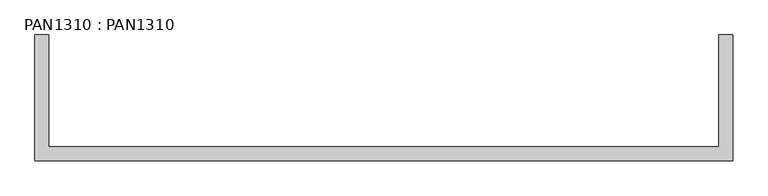
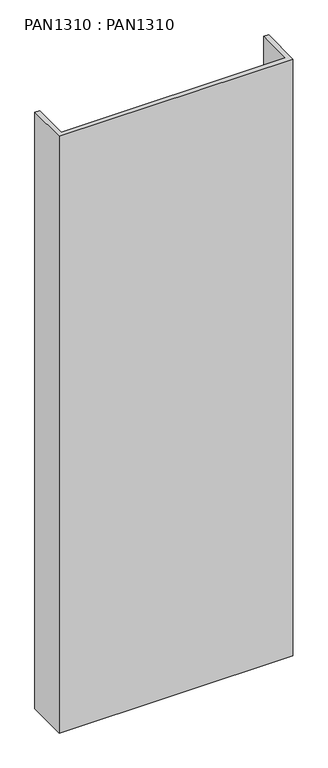
"""IFC4 building model written with IfcOpenShell, lengths in millimetres: proxy geometry, PAN1310 : PAN1310."""

from ifc_helpers import new_model, si_unit, origin, origin_with_axes, place, context, project, spatial, polyline, outline, extrude, source, transform, mapped, element, save


def pan1310_pan1310_bb66d216(model_context):
    return source(origin(), model_context, "Body", "SweptSolid", [
        extrude(outline(polyline([(980.0, -160.0), (980.0, 0.0), (1000.0, 0.0), (1000.0, -180.0), (0.0, -180.0), (0.0, 0.0), (20.0, 0.0), (20.0, -160.0), (980.0, -160.0)])), origin_with_axes(), (0.0, 0.0, 1.0), 2700.0),
    ])


if __name__ == "__main__":
    model = new_model("IFC4")
    model_context = context("Model", 3, world=origin())
    ifc_project = project(units=[si_unit("LENGTHUNIT", "METRE", prefix="MILLI")], contexts=[model_context])
    site = spatial("IfcSite", under=ifc_project)
    building = spatial("IfcBuilding", under=site)
    placement = place(None, origin())
    pan1310_pan1310_shape = pan1310_pan1310_bb66d216(model_context)
    element("IfcBuildingElementProxy", 1, Name="PAN1310 : PAN1310", ObjectType="PAN1310 : PAN1310", at=placement, inside=building, context=model_context, shape_type="MappedRepresentation", body=[
        mapped(pan1310_pan1310_shape, transform((0.0, 0.0, 0.0), x_axis=(1.0, 0.0, 0.0), y_axis=(0.0, 1.0, 0.0), z_axis=(0.0, 0.0, 1.0))),
    ])
    save(model, "model.ifc")
